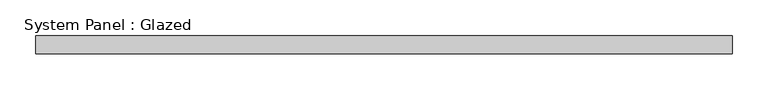
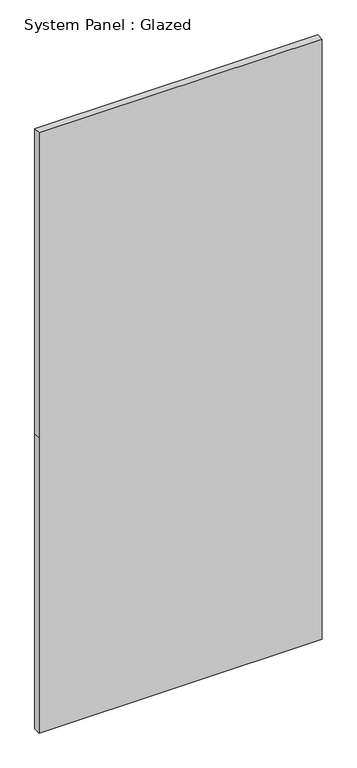
"""IFC4 building model written with IfcOpenShell, lengths in millimetres: plate geometry, System Panel : Glazed."""

from ifc_helpers import new_model, si_unit, frame, origin, place, context, project, spatial, polyline, outline, extrude, source, transform, mapped, element, save


def system_panel_glazed_7e527f78(model_context):
    return source(origin(), model_context, "Body", "SweptSolid", [
        extrude(outline(polyline([(0.0, -487.0), (0.0, 487.0), (1074.0, 487.0), (2182.2673911, 487.0), (2182.2673911, -487.0), (1074.0, -487.0), (0.0, -487.0)])), frame((0.0, -12.5, 0.0), z_axis=(0.0, 1.0, 0.0), x_axis=(0.0, 0.0, 1.0)), (0.0, 0.0, 1.0), 25.0),
    ])


if __name__ == "__main__":
    model = new_model("IFC4")
    model_context = context("Model", 3, world=origin())
    ifc_project = project(units=[si_unit("LENGTHUNIT", "METRE", prefix="MILLI")], contexts=[model_context])
    site = spatial("IfcSite", under=ifc_project)
    building = spatial("IfcBuilding", under=site)
    placement = place(None, origin())
    system_panel_glazed_shape = system_panel_glazed_7e527f78(model_context)
    element("IfcPlate", 1, ObjectType="System Panel : Glazed", at=placement, inside=building, context=model_context, shape_type="MappedRepresentation", body=[
        mapped(system_panel_glazed_shape, transform((0.0, 0.0, 0.0), x_axis=(1.0, 0.0, 0.0), y_axis=(0.0, 1.0, 0.0), z_axis=(0.0, 0.0, 1.0))),
    ])
    save(model, "model.ifc")
